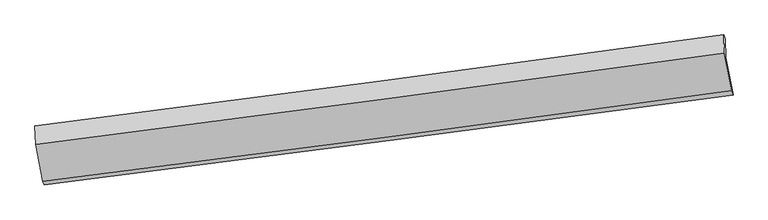
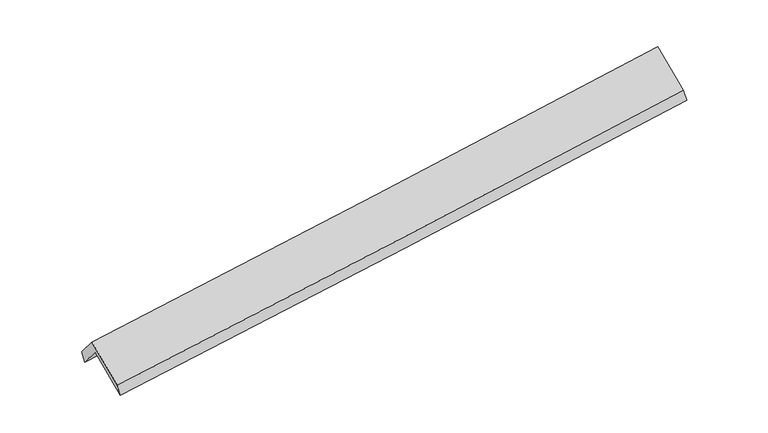
"""IFC4 building model written with IfcOpenShell, lengths in millimetres: proxy geometry."""

from ifc_helpers import new_model, si_unit, frame, origin, place, context, project, spatial, source, transform, mapped, element, save
from ifc_brep_helpers import plane_surface, spline_curve, spline_surface, advanced_brep


def generic_models_fe96e0a9(model_context):
    return source(origin(), model_context, "Body", "AdvancedBrep", [
        advanced_brep(
        [(-4741.885044, -2211.9647318, 1766.7495584), (-4751.2663403, -1951.5667987, 1455.8855004), (4666.0041097, -719.4220221, 2216.8547777), (4675.154126, -973.4002818, 2520.0550049), (-4769.0201586, -1903.3355729, 1603.838755), (4647.7877312, -658.3514496, 2349.4803706), (-4759.8669546, -2157.4023163, 1907.1446142), (4656.9409352, -912.418193, 2652.7862298), (-4660.8132608, -2665.923223, 1478.1884783), (4755.994629, -1420.9390996, 2223.8300939), (-4643.7818534, -2715.6059543, 1341.9096161), (4774.7299861, -1484.6018809, 2088.8376061)],
        [
            (0, 1),
            (1, 2, spline_curve(3, [(-4751.2663403, -1951.5667987, 1455.8855004), (-3175.856916331, -1751.076906305, 1574.09145743), (-1601.166664234, -1547.855729702, 1696.800202475), (1537.915412298, -1137.110141425, 1950.507179419), (3102.315309912, -929.616392168, 2081.4548596), (4666.0041097, -719.4220221, 2216.8547777)], [4, 2, 4], [0.0, 15.674077956780334, 31.259924510000417])),
            (2, 3),
            (3, 0, spline_curve(3, [(4675.154126, -973.4002818, 2520.0550049), (3111.580857338, -1186.80146889, 2388.483397246), (1547.258053101, -1396.435109, 2260.090327088), (-1591.746493608, -1809.332702379, 2008.952422033), (-3166.436745705, -2012.553878982, 1886.243676987), (-4741.885044, -2211.9647318, 1766.7495584)], [4, 2, 4], [0.0, 15.585846553220083, 31.259924510000417])),
            (1, 4),
            (4, 5, spline_curve(3, [(-4769.0201586, -1903.3355729, 1603.838755), (-3193.532985889, -1705.003759806, 1724.621035355), (-1618.84273393, -1501.782583099, 1847.329780617), (1520.084283051, -1086.732984533, 2095.898612933), (3084.329993663, -874.959453442, 2221.737073405), (4647.7877312, -658.3514496, 2349.4803706)], [4, 2, 4], [0.0, 15.674073237986155, 31.25991509897476])),
            (5, 2),
            (4, 6),
            (6, 7, spline_curve(3, [(-4759.8669546, -2157.4023163, 1907.1446142), (-3184.379782253, -1959.070503138, 2027.926894236), (-1609.689529736, -1755.849326326, 2150.635639677), (1529.237486859, -1340.799728105, 2399.204472273), (3093.483197675, -1129.026196884, 2525.042932554), (4656.9409352, -912.418193, 2652.7862298)], [4, 2, 4], [0.0, 15.67409211314532, 31.259952743042387])),
            (7, 5),
            (6, 8),
            (8, 9, spline_curve(3, [(-4660.8132608, -2665.923223, 1478.1884783), (-3085.326088453, -2467.591409838, 1598.970758336), (-1510.635835936, -2264.370233026, 1721.679503777), (1628.291180659, -1849.320634805, 1970.248336373), (3192.536891475, -1637.547103484, 2096.086796654), (4755.994629, -1420.9390996, 2223.8300939)], [4, 2, 4], [0.0, 15.674092113145313, 31.259952743042373])),
            (9, 7),
            (8, 10),
            (10, 11, spline_curve(3, [(-4643.7818534, -2715.6059543, 1341.9096161), (-3068.581086072, -2514.924328753, 1462.475678503), (-1493.89083376, -2311.703152558, 1585.184423223), (1645.607381269, -1901.33995048, 1834.184475206), (3210.421075581, -1694.226435941, 1960.451726454), (4774.7299861, -1484.6018809, 2088.8376061)], [4, 2, 4], [0.0, 15.674026049885322, 31.25982098840099])),
            (11, 9),
            (10, 0),
            (3, 11),
        ],
        [
            spline_surface(3, 3, [[(-4741.885044, -2211.9647318, 1766.7495584), (-3166.436745857, -2012.553878983, 1886.243676983), (-1591.74649345, -1809.332702453, 2008.952422203), (1547.258052944, -1396.435108926, 2260.090326919), (3111.580857241, -1186.801468774, 2388.483397231), (4675.154126, -973.4002818, 2520.0550049)], [(-4745.01214277, -2125.165420761, 1663.128205742), (-3169.576802731, -1925.394888095, 1782.192937134), (-1594.886550324, -1722.173711566, 1904.901682353), (1544.143839334, -1309.993453051, 2156.895944377), (3108.492341419, -1101.07310994, 2286.14055145), (4672.104120594, -888.740861883, 2418.988262527)], [(-4748.13924153, -2038.366109739, 1559.506853058), (-3172.716859593, -1838.235897226, 1678.142197258), (-1598.026607186, -1635.014720696, 1800.850942478), (1541.029625735, -1223.551797193, 2053.701561809), (3105.403825515, -1015.344751155, 2183.797705589), (4669.054115106, -804.081442017, 2317.921520073)], [(-4751.2663403, -1951.5667987, 1455.8855004), (-3175.856916466, -1751.076906338, 1574.091457409), (-1601.166664059, -1547.855729809, 1696.800202628), (1537.915412125, -1137.110141318, 1950.507179266), (3102.315309693, -929.61639232, 2081.454859809), (4666.0041097, -719.4220221, 2216.8547777)]], [4, 4], [4, 2, 4], [0.0, 1.3308367675034165], [0.0, 15.674077956780334, 31.259924510000417]),
            spline_surface(3, 3, [[(-4751.2663403, -1951.5667987, 1455.8855004), (-3175.856916466, -1751.076906338, 1574.091457409), (-1601.166664059, -1547.855729809, 1696.800202628), (1537.915412125, -1137.110141318, 1950.507179266), (3102.315309693, -929.61639232, 2081.454859809), (4666.0041097, -719.4220221, 2216.8547777)], [(-4757.184279742, -1935.489723439, 1505.203251915), (-3181.748939702, -1735.719190774, 1624.267983307), (-1607.058687295, -1532.498014245, 1746.976728527), (1531.971702362, -1120.31775573, 1998.97099055), (3096.320204355, -911.39741265, 2128.21559757), (4659.93198353, -699.065164594, 2261.063308646)], [(-4763.102219158, -1919.412648161, 1554.521003485), (-3187.640962913, -1720.361475191, 1674.444509259), (-1612.950710506, -1517.140298662, 1797.153254479), (1526.027992626, -1103.525370123, 2047.434801888), (3090.325099027, -893.178432998, 2174.976335393), (4653.85985737, -678.708307106, 2305.271839654)], [(-4769.0201586, -1903.3355729, 1603.838755), (-3193.532986148, -1705.003759627, 1724.621035158), (-1618.842733742, -1501.782583098, 1847.329780377), (1520.084282864, -1086.732984534, 2095.898613172), (3084.329993689, -874.959453328, 2221.737073153), (4647.7877312, -658.3514496, 2349.4803706)]], [4, 4], [4, 2, 4], [0.0, 0.513912529178407], [0.0, 15.674073237986155, 31.25991509897476]),
            spline_surface(3, 3, [[(-4769.0201586, -1903.3355729, 1603.838755), (-3193.532986148, -1705.003759627, 1724.621035158), (-1618.842733742, -1501.782583098, 1847.329780377), (1520.084282864, -1086.732984534, 2095.898613172), (3084.329993689, -874.959453328, 2221.737073153), (4647.7877312, -658.3514496, 2349.4803706)], [(-4765.9690906, -1988.024487367, 1704.940708081), (-3190.481918149, -1789.692674094, 1825.722988239), (-1615.791665742, -1586.471497565, 1948.431733458), (1523.135350863, -1171.421899001, 2197.000566254), (3087.381061689, -959.648367795, 2322.839026235), (4650.8387992, -743.040364067, 2450.582323681)], [(-4762.9180226, -2072.713401833, 1806.042661119), (-3187.430850148, -1874.38158856, 1926.824941276), (-1612.740597741, -1671.160412031, 2049.533686496), (1526.186418864, -1256.110813467, 2298.102519291), (3090.432129689, -1044.337282261, 2423.940979272), (4653.8898672, -827.729278533, 2551.684276719)], [(-4759.8669546, -2157.4023163, 1907.1446142), (-3184.379782148, -1959.070503027, 2027.926894358), (-1609.689529742, -1755.849326498, 2150.635639577), (1529.237486864, -1340.799727934, 2399.204472372), (3093.483197689, -1129.026196728, 2525.042932353), (4656.9409352, -912.418193, 2652.7862298)]], [4, 4], [4, 2, 4], [0.0, 1.29843414127518], [0.0, 15.67409211314532, 31.259952743042387]),
            spline_surface(3, 3, [[(-4759.8669546, -2157.4023163, 1907.1446142), (-3184.379782148, -1959.070503027, 2027.926894358), (-1609.689529742, -1755.849326498, 2150.635639577), (1529.237486864, -1340.799727934, 2399.204472372), (3093.483197689, -1129.026196728, 2525.042932353), (4656.9409352, -912.418193, 2652.7862298)], [(-4726.849056661, -2326.909285187, 1764.159235571), (-3151.36188421, -2128.577471914, 1884.941515729), (-1576.671631803, -1925.356295385, 2007.650260949), (1562.255384802, -1510.306696821, 2256.219093744), (3126.501095628, -1298.533165615, 2382.057553725), (4689.958833139, -1081.925161887, 2509.800851171)], [(-4693.831158739, -2496.416254113, 1621.173856929), (-3118.343986287, -2298.08444084, 1741.956137086), (-1543.65373388, -2094.863264311, 1864.664882306), (1595.273282725, -1679.813665747, 2113.233715101), (3159.51899355, -1468.040134441, 2239.072175082), (4722.976731061, -1251.432130713, 2366.815472529)], [(-4660.8132608, -2665.923223, 1478.1884783), (-3085.326088348, -2467.591409727, 1598.970758458), (-1510.635835942, -2264.370233198, 1721.679503677), (1628.291180664, -1849.320634634, 1970.248336472), (3192.536891489, -1637.547103328, 2096.086796453), (4755.994629, -1420.9390996, 2223.8300939)]], [4, 4], [4, 2, 4], [0.0, 2.206736211862109], [0.0, 15.674092113145313, 31.259952743042373]),
            spline_surface(3, 3, [[(-4660.8132608, -2665.923223, 1478.1884783), (-3085.326088348, -2467.591409727, 1598.970758458), (-1510.635835942, -2264.370233198, 1721.679503677), (1628.291180664, -1849.320634634, 1970.248336472), (3192.536891489, -1637.547103328, 2096.086796453), (4755.994629, -1420.9390996, 2223.8300939)], [(-4655.136124984, -2682.484133438, 1432.762190876), (-3079.744420992, -2483.369049435, 1553.47239837), (-1505.054168585, -2280.147872906, 1676.18114359), (1634.063247536, -1866.66040667, 1924.893716005), (3198.498286093, -1656.440214247, 2050.875106479), (4762.239748013, -1442.160026688, 2178.832597952)], [(-4649.458989216, -2699.045043862, 1387.335903524), (-3074.162753685, -2499.14668913, 1507.974038355), (-1499.472501178, -2295.925512601, 1630.682783474), (1639.835314458, -1884.000178692, 1879.539095511), (3204.459680759, -1675.333325202, 2005.663416549), (4768.484867087, -1463.380953812, 2133.835102048)], [(-4643.7818534, -2715.6059543, 1341.9096161), (-3068.581086328, -2514.924328838, 1462.475678267), (-1493.890833821, -2311.703152309, 1585.184423387), (1645.607381331, -1901.339950728, 1834.184475044), (3210.421075364, -1694.226436121, 1960.451726574), (4774.7299861, -1484.6018809, 2088.8376061)]], [4, 4], [4, 2, 4], [0.0, 0.4791466388826897], [0.0, 15.674026049885322, 31.25982098840099]),
            plane_surface(frame((-4692.8334487, -2463.785343, 1554.3295872), z_axis=(-0.02312800926291881, 0.6419673368458586, -0.7663830854152319), x_axis=(-0.1472669495667894, 0.7560376582636579, 0.6377456427546152))),
            plane_surface(frame((4696.1019195, -1028.1888212, 2341.9740138), z_axis=(0.9888263450944419, 0.1276126863216257, 0.07705492545545678), x_axis=(0.12455154188714414, -0.42322639228162007, -0.8974220491440018))),
            plane_surface(frame((-4721.105602, -2267.6330995, 1592.2860871), z_axis=(-0.9888263450944267, -0.12761268632203954, -0.07705492545496831), x_axis=(0.14726694956679293, -0.7560376582636569, -0.6377456427546154))),
        ],
        [
            (0, [[1, 2, 3, 4]]),
            (1, [[5, 6, 7, -2]]),
            (2, [[8, 9, 10, -6]]),
            (3, [[11, 12, 13, -9]]),
            (4, [[14, 15, 16, -12]]),
            (5, [[17, -4, 18, -15]]),
            (6, [[-16, -18, -3, -7, -10, -13]]),
            (7, [[-17, -14, -11, -8, -5, -1]]),
        ],
    ),
    ])


if __name__ == "__main__":
    model = new_model("IFC4")
    model_context = context("Model", 3, world=origin())
    ifc_project = project(units=[si_unit("LENGTHUNIT", "METRE", prefix="MILLI")], contexts=[model_context])
    site = spatial("IfcSite", under=ifc_project)
    building = spatial("IfcBuilding", under=site)
    placement = place(None, origin())
    generic_models_shape = generic_models_fe96e0a9(model_context)
    element("IfcBuildingElementProxy", 1, Name="Generic Models", at=placement, inside=building, context=model_context, shape_type="MappedRepresentation", body=[
        mapped(generic_models_shape, transform((0.0, 0.0, 0.0), x_axis=(1.0, 0.0, 0.0), y_axis=(0.0, 1.0, 0.0), z_axis=(0.0, 0.0, 1.0))),
    ])
    save(model, "model.ifc")
